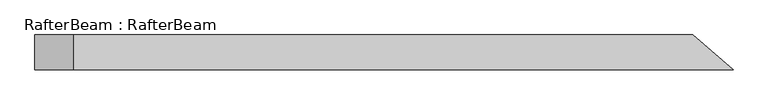
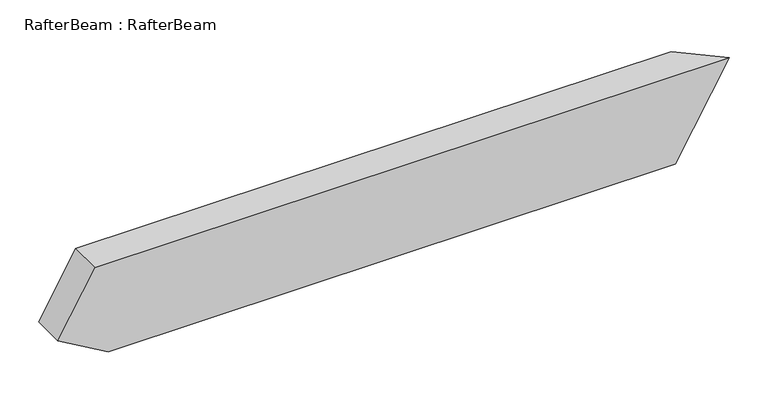
"""IFC4 building model written with IfcOpenShell, lengths in millimetres: beam geometry, RafterBeam : RafterBeam."""

from ifc_helpers import new_model, si_unit, origin, place, context, project, spatial, faceted_brep, source, transform, mapped, element, save


def rafterbeam_rafterbeam_d7828752(model_context):
    return source(origin(), model_context, "Body", "Brep", [
        faceted_brep([(468.1518255, -25.0, 70.0), (409.8829639, 25.0, 70.0), (-479.8422237, 25.0, 70.0), (-479.8422237, -25.0, 70.0), (329.0539262, 25.0, -70.0), (387.3227878, -25.0, -70.0), (-460.6712614, -25.0, -70.0), (-460.6712614, 25.0, -70.0), (-535.6712614, 25.0, -26.6987298), (-535.6712614, -25.0, -26.6987298)], [[[0, 1, 2, 3]], [[4, 5, 6, 7]], [[1, 4, 7, 8, 2]], [[5, 0, 3, 9, 6]], [[0, 5, 4, 1]], [[3, 2, 8, 9]], [[7, 6, 9, 8]]]),
    ])


if __name__ == "__main__":
    model = new_model("IFC4")
    model_context = context("Model", 3, world=origin())
    ifc_project = project(units=[si_unit("LENGTHUNIT", "METRE", prefix="MILLI")], contexts=[model_context])
    site = spatial("IfcSite", under=ifc_project)
    building = spatial("IfcBuilding", under=site)
    placement = place(None, origin())
    rafterbeam_rafterbeam_shape = rafterbeam_rafterbeam_d7828752(model_context)
    element("IfcBeam", 1, ObjectType="RafterBeam : RafterBeam", at=placement, inside=building, context=model_context, shape_type="MappedRepresentation", body=[
        mapped(rafterbeam_rafterbeam_shape, transform((0.0, 0.0, 0.0), x_axis=(1.0, 0.0, 0.0), y_axis=(0.0, 1.0, 0.0), z_axis=(0.0, 0.0, 1.0))),
    ])
    save(model, "model.ifc")
